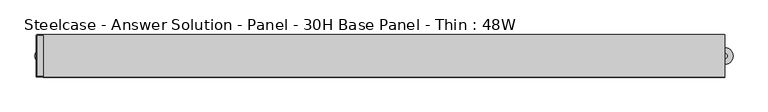
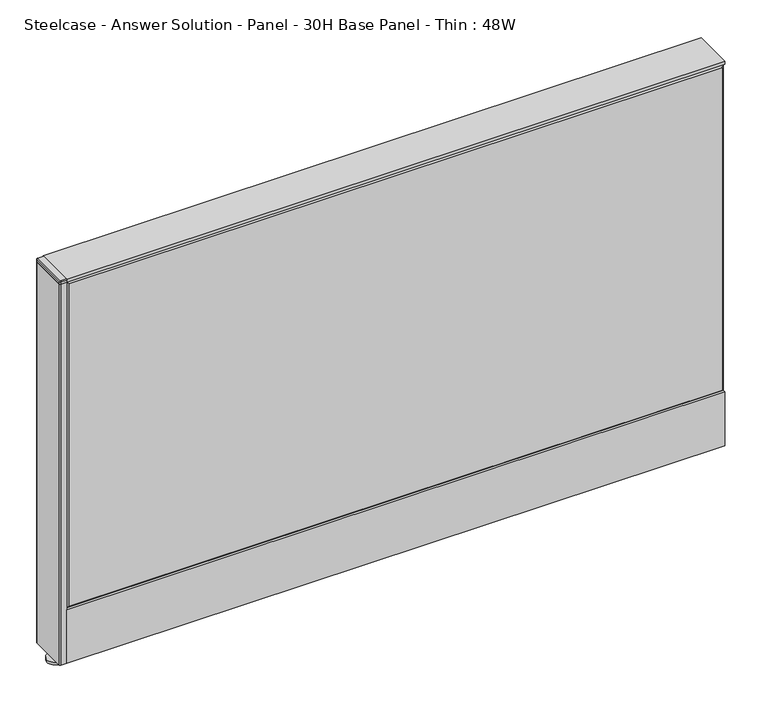
"""IFC4 building model written with IfcOpenShell, lengths in millimetres: furniture geometry, Steelcase - Answer Solution - Panel - 30H Base Panel - Thin : 48W."""

from ifc_helpers import new_model, si_unit, point, frame, frame_2d, origin, place, context, project, spatial, polyline, circle_curve, trimmed, segment, composite_curve, outline, extrude, faceted_brep, source, transform, mapped, element, save
from ifc_brep_helpers import plane_surface, cylinder_surface, revolved_surface, advanced_brep


def steelcase_answer_solution_panel_30h_base_panel_thin_48w_93b2926f(model_context):
    return source(origin(), model_context, "Body", "SolidModel", [
        extrude(outline(polyline([(37.3075215, 119.8575157), (25.4000011, 119.8575157), (25.4000011, 120.65), (38.1000194, 120.65), (38.1000194, 15.494), (37.3075215, 15.494), (37.3075215, 119.8575157)])), frame((-609.6, 0.0, 0.0), z_axis=(1.0, 0.0, 0.0), x_axis=(0.0, 1.0, 0.0)), (0.0, 0.0, 1.0), 1219.2),
        extrude(outline(polyline([(-37.3075215, 119.8575157), (-37.3075215, 15.494), (-38.1000194, 15.494), (-38.1000194, 120.65), (-25.4000011, 120.65), (-25.4000011, 119.8575157), (-37.3075215, 119.8575157)])), frame((-609.6, 0.0, 0.0), z_axis=(1.0, 0.0, 0.0), x_axis=(0.0, 1.0, 0.0)), (0.0, 0.0, 1.0), 1219.2),
        extrude(outline(composite_curve([segment(trimmed(circle_curve(frame_2d((609.6, -1.94e-05)), 5.08), [point((614.68, -1.94e-05))], [point((604.52, -1.94e-05))], False, "CARTESIAN"), True, "CONTINUOUS"), segment(trimmed(circle_curve(frame_2d((609.6, -1.94e-05)), 5.08), [point((604.52, -1.94e-05))], [point((614.68, -1.94e-05))], False, "CARTESIAN"), True, "CONTINUOUS")], self_intersect=False)), frame((0.0, 0.0, 5.0799671), z_axis=(0.0, 0.0, 1.0), x_axis=(1.0, 0.0, 0.0)), (0.0, 0.0, 1.0), 10.414),
        extrude(outline(composite_curve([segment(trimmed(circle_curve(frame_2d((609.6, -1.94e-05)), 15.24), [point((624.84, -1.94e-05))], [point((594.36, -1.94e-05))], False, "CARTESIAN"), True, "CONTINUOUS"), segment(trimmed(circle_curve(frame_2d((609.6, -1.94e-05)), 15.24), [point((594.36, -1.94e-05))], [point((624.84, -1.94e-05))], False, "CARTESIAN"), True, "CONTINUOUS")], self_intersect=False)), frame((0.0, 0.0, -3.29e-05), z_axis=(0.0, 0.0, 1.0), x_axis=(1.0, 0.0, 0.0)), (0.0, 0.0, 1.0), 5.08),
        extrude(outline(composite_curve([segment(trimmed(circle_curve(frame_2d((-609.6, 0.0)), 5.08), [point((-614.68, 0.0))], [point((-604.52, 0.0))], False, "CARTESIAN"), True, "CONTINUOUS"), segment(trimmed(circle_curve(frame_2d((-609.6, 0.0)), 5.08), [point((-604.52, 0.0))], [point((-614.68, 0.0))], False, "CARTESIAN"), True, "CONTINUOUS")], self_intersect=False)), frame((0.0, 0.0, 5.0799671), z_axis=(0.0, 0.0, 1.0), x_axis=(1.0, 0.0, 0.0)), (0.0, 0.0, 1.0), 10.414),
        extrude(outline(composite_curve([segment(trimmed(circle_curve(frame_2d((-609.6, 0.0)), 15.24), [point((-624.84, 0.0))], [point((-594.36, 0.0))], False, "CARTESIAN"), True, "CONTINUOUS"), segment(trimmed(circle_curve(frame_2d((-609.6, 0.0)), 15.24), [point((-594.36, 0.0))], [point((-624.84, 0.0))], False, "CARTESIAN"), True, "CONTINUOUS")], self_intersect=False)), frame((0.0, 0.0, -3.29e-05), z_axis=(0.0, 0.0, 1.0), x_axis=(1.0, 0.0, 0.0)), (0.0, 0.0, 1.0), 5.08),
        advanced_brep(
        [(-620.522, 36.3219806, 768.3499671), (-620.522, -36.3220194, 768.3499671), (-609.6, -36.3220194, 768.3499671), (-609.6, 36.3219806, 768.3499671), (-622.3, 36.3219806, 766.5719671), (-620.522, 38.0999806, 766.5719671), (-622.3, -36.3220194, 766.5719671), (-620.522, -38.1000194, 766.5719671), (-609.6, -38.1000194, 766.5719671), (-609.6, -38.1000194, 761.9999671), (-609.6, 38.0999806, 761.9999671), (-609.6, 38.0999806, 766.5719671), (-622.3, -36.3220194, 761.9999671), (-620.522, -38.1000194, 761.9999671), (-620.522, 38.0999806, 761.9999671), (-622.3, 36.3219806, 761.9999671)],
        [
            (0, 1),
            (1, 2),
            (2, 3),
            (3, 0),
            (4, 0),
            (0, 5),
            (5, 4, circle_curve(frame((-620.522, 36.3219806, 766.5719671), z_axis=(0.0, -1.8009403492312287e-12, 1.0), x_axis=(0.0, 1.0, 1.8008960501119156e-12)), 1.778)),
            (4, 6),
            (6, 1),
            (6, 7, circle_curve(frame((-620.522, -36.3220194, 766.5719671), z_axis=(0.0, 5.414716294386099e-12, 1.0), x_axis=(-1.0, 0.0, 0.0)), 1.778)),
            (7, 1),
            (7, 8),
            (8, 2),
            (8, 9),
            (9, 10),
            (10, 11),
            (11, 3),
            (11, 5),
            (12, 13, circle_curve(frame((-620.522, -36.3220194, 761.9999671), z_axis=(0.0, 0.0, 1.0), x_axis=(1.0, 0.0, 0.0)), 1.778)),
            (13, 7),
            (6, 12),
            (13, 9),
            (10, 14),
            (14, 5),
            (14, 15, circle_curve(frame((-620.522, 36.3219806, 761.9999671), z_axis=(0.0, 0.0, 1.0), x_axis=(1.0, 0.0, 0.0)), 1.778)),
            (15, 4),
            (15, 12),
        ],
        [
            plane_surface(frame((-615.061, -1.94e-05, 768.3499671), z_axis=(0.0, 0.0, 1.0), x_axis=(0.0, -1.0, 0.0))),
            revolved_surface(polyline([(-620.522, 36.3219806, 768.3499671), (-622.3000000000031, 36.3219806, 766.5719670999969)]), (-620.522, 36.3219806, 768.3499671), (0.0, 1.8009403492312287e-12, -1.0)),
            plane_surface(frame((-622.3, -1.94e-05, 766.5719671), z_axis=(-0.7071067811865476, 0.0, 0.7071067811865476), x_axis=(0.0, -1.0, 0.0))),
            revolved_surface(polyline([(-620.522, -36.3220194, 768.3499671), (-622.3000000000096, -36.3220194, 766.5719670999904)]), (-620.522, -36.3220194, 768.3499671), (0.0, -5.414716294386099e-12, -1.0)),
            plane_surface(frame((-615.061, -38.1000194, 766.5719671), z_axis=(0.0, -0.7071067811846348, 0.7071067811884603), x_axis=(1.0, 0.0, 0.0))),
            plane_surface(frame((-609.6, -1.94e-05, 766.5719671), z_axis=(1.0, 0.0, 0.0), x_axis=(0.0, 1.0, 0.0))),
            plane_surface(frame((-615.061, 38.0999806, 766.5719671), z_axis=(0.0, 0.7071067811859125, 0.7071067811871826), x_axis=(-1.0, 0.0, 0.0))),
            cylinder_surface(frame((-620.522, -36.3220194, 761.9999671), z_axis=(0.0, 0.0, 1.0), x_axis=(1.0, 0.0, 0.0)), 1.778),
            plane_surface(frame((-620.522, -38.1000194, 766.5719671), z_axis=(0.0, -1.0, 0.0), x_axis=(0.0, 0.0, -1.0))),
            plane_surface(frame((-609.6, 38.0999806, 766.5719671), z_axis=(0.0, 1.0, 0.0), x_axis=(0.0, 0.0, -1.0))),
            cylinder_surface(frame((-620.522, 36.3219806, 761.9999671), z_axis=(0.0, 0.0, 1.0), x_axis=(1.0, 0.0, 0.0)), 1.778),
            plane_surface(frame((-622.3, 36.3219806, 766.5719671), z_axis=(-1.0, 0.0, 0.0), x_axis=(0.0, 0.0, -1.0))),
            plane_surface(frame((-618.744, -36.3220194, 761.9999671), z_axis=(0.0, 0.0, -1.0), x_axis=(0.0, -1.0, 0.0))),
        ],
        [
            (0, [[1, 2, 3, 4]]),
            (1, [[5, 6, 7]]),
            (2, [[-1, -5, 8, 9]]),
            (3, [[-9, 10, 11]]),
            (4, [[-2, -11, 12, 13]]),
            (5, [[-3, -13, 14, 15, 16, 17]]),
            (6, [[-4, -17, 18, -6]]),
            (7, [[19, 20, -10, 21]]),
            (8, [[22, -14, -12, -20]]),
            (9, [[23, 24, -18, -16]]),
            (10, [[25, 26, -7, -24]]),
            (11, [[27, -21, -8, -26]]),
            (12, [[-27, -25, -23, -15, -22, -19]]),
        ],
    ),
        extrude(outline(composite_curve([segment(polyline([(-622.3, -36.3220194), (-622.3, 36.3219806)]), True, "CONTINUOUS"), segment(trimmed(circle_curve(frame_2d((-620.522, 36.3219806)), 1.778), [point((-622.3, 36.3219806))], [point((-620.522, 38.0999806))], False, "CARTESIAN"), True, "CONTINUOUS"), segment(polyline([(-620.522, 38.0999806), (-609.6, 38.0999806), (-609.6, -38.1000194), (-620.522, -38.1000194)]), True, "CONTINUOUS"), segment(trimmed(circle_curve(frame_2d((-620.522, -36.3220194)), 1.778), [point((-620.522, -38.1000194))], [point((-622.3, -36.3220194))], False, "CARTESIAN"), True, "CONTINUOUS")], self_intersect=False)), frame((0.0, 0.0, 15.4939671), z_axis=(0.0, 0.0, 1.0), x_axis=(1.0, 0.0, 0.0)), (0.0, 0.0, 1.0), 746.506),
        faceted_brep([(604.774, 38.100001, 757.174), (604.774, 38.100001, 125.476), (-604.774, 38.100001, 125.476), (-604.774, 38.100001, 757.174), (609.6, 33.274001, 762.0), (-609.6, 33.274001, 762.0), (-609.6, 33.274001, 120.65), (609.6, 33.274001, 120.65)], [[[0, 1, 2, 3]], [[4, 5, 6, 7]], [[4, 0, 3, 5]], [[5, 3, 2, 6]], [[6, 2, 1, 7]], [[7, 1, 0, 4]]]),
        faceted_brep([(604.774, -38.100001, 757.174), (-604.774, -38.100001, 757.174), (-604.774, -38.100001, 125.476), (604.774, -38.100001, 125.476), (609.6, -33.274001, 762.0), (609.6, -33.274001, 120.65), (-609.6, -33.274001, 120.65), (-609.6, -33.274001, 762.0)], [[[0, 1, 2, 3]], [[4, 5, 6, 7]], [[4, 7, 1, 0]], [[7, 6, 2, 1]], [[6, 5, 3, 2]], [[5, 4, 0, 3]]]),
        extrude(outline(polyline([(609.6, 38.1000194), (609.6, -38.1000194), (-609.6, -38.1000194), (-609.6, 38.1000194), (609.6, 38.1000194)])), frame((0.0, 0.0, 762.0), z_axis=(0.0, 0.0, 1.0), x_axis=(1.0, 0.0, 0.0)), (0.0, 0.0, 1.0), 6.35),
    ])


if __name__ == "__main__":
    model = new_model("IFC4")
    model_context = context("Model", 3, world=origin())
    ifc_project = project(units=[si_unit("LENGTHUNIT", "METRE", prefix="MILLI")], contexts=[model_context])
    site = spatial("IfcSite", under=ifc_project)
    building = spatial("IfcBuilding", under=site)
    placement = place(None, origin())
    steelcase_answer_solution_panel_30h_base_panel_thin_48w_shape = steelcase_answer_solution_panel_30h_base_panel_thin_48w_93b2926f(model_context)
    element("IfcFurniture", 1, ObjectType="Steelcase - Answer Solution - Panel - 30H Base Panel - Thin : 48W", at=placement, inside=building, context=model_context, shape_type="MappedRepresentation", body=[
        mapped(steelcase_answer_solution_panel_30h_base_panel_thin_48w_shape, transform((0.0, 0.0, 0.0), x_axis=(1.0, 0.0, 0.0), y_axis=(0.0, 1.0, 0.0), z_axis=(0.0, 0.0, 1.0))),
    ])
    save(model, "model.ifc")
